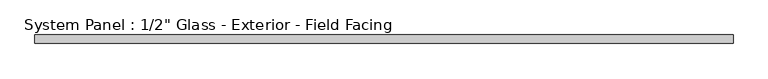
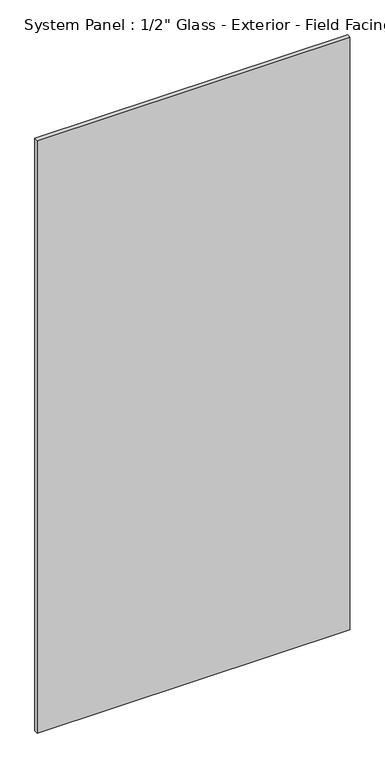
"""IFC4 building model written with IfcOpenShell, lengths in millimetres: plate geometry."""

import ifcopenshell
import ifcopenshell.guid

model = None  # the IFC model being written
_history = None  # IfcOwnerHistory: only IFC2X3 demands one
_inside = {}  # id of a spatial element -> (the spatial element, [elements in it])
_under = {}  # id of a project, library or spatial element -> (it, [spatial elements below it])
_declared = {}  # id of a project -> (the project, [libraries it declares])
_typed = {}  # id of a type object -> (the type object, [elements of that type])
_made_of = {}  # id of a material, layer set ... -> (it, [elements and type objects made of it])


def new_model(schema):
    """Start an empty IFC model of exactly this schema.

    Asked for "IFC4X3", IfcOpenShell would pick the latest addendum, in which some entities
    have other attributes; the version numbers below select the first issue.
    IFC2X3 requires an IfcOwnerHistory on every rooted entity: one is made here for all.
    """
    global model, _history
    if schema == "IFC4X3":
        model = ifcopenshell.file(schema_version=(4, 3, 0, 0))
    else:
        model = ifcopenshell.file(schema=schema)
    _inside.clear()
    _under.clear()
    _declared.clear()
    _typed.clear()
    _made_of.clear()
    _history = None
    if model.schema == "IFC2X3":
        org = make("IfcOrganization", Name="unknown")
        user = make(
            "IfcPersonAndOrganization",
            ThePerson=make("IfcPerson", FamilyName="unknown"),
            TheOrganization=org,
        )
        app = make(
            "IfcApplication",
            ApplicationDeveloper=org,
            Version="unknown",
            ApplicationFullName="unknown",
            ApplicationIdentifier="unknown",
        )
        _history = make(
            "IfcOwnerHistory",
            OwningUser=user,
            OwningApplication=app,
            ChangeAction="ADDED",
            CreationDate=0,
        )
    return model


def make(cls, **values):
    """One entity of the class cls with the attributes given. An attribute that is None is left unset."""
    return model.create_entity(
        cls, **{name: value for name, value in values.items() if value is not None}
    )


def rooted(cls, **values):
    """An entity with a GlobalId (a new one), such as an element, a storey or a relation."""
    return make(cls, GlobalId=ifcopenshell.guid.new(), OwnerHistory=_history, **values)


def si_unit(unit_type, name, prefix=None):
    """IfcSIUnit, for example si_unit("LENGTHUNIT", "METRE", prefix="MILLI")."""
    return make("IfcSIUnit", UnitType=unit_type, Prefix=prefix, Name=name)


def assignment(units):
    """IfcUnitAssignment: the units of a project."""
    return None if units is None else make("IfcUnitAssignment", Units=units)


def point(xyz):
    """IfcCartesianPoint."""
    return None if xyz is None else make("IfcCartesianPoint", Coordinates=xyz)


def direction(xyz):
    """IfcDirection."""
    return None if xyz is None else make("IfcDirection", DirectionRatios=xyz)


def frame(location, z_axis=None, x_axis=None):
    """IfcAxis2Placement3D, a coordinate frame: its origin and axes. An axis left out is left unset."""
    return make(
        "IfcAxis2Placement3D",
        Location=point(location),
        Axis=direction(z_axis),
        RefDirection=direction(x_axis),
    )


def origin():
    """The frame at (0, 0, 0) with its axes left unset."""
    return frame((0.0, 0.0, 0.0))


def origin_with_axes():
    """The frame at (0, 0, 0) with the z axis (0, 0, 1) and the x axis (1, 0, 0) written out."""
    return frame((0.0, 0.0, 0.0), z_axis=(0.0, 0.0, 1.0), x_axis=(1.0, 0.0, 0.0))


def place(relative_to, where):
    """IfcLocalPlacement: puts the frame where relative to a parent placement (None: the world)."""
    return make(
        "IfcLocalPlacement", PlacementRelTo=relative_to, RelativePlacement=where
    )


def context(
    kind, dimensions, precision=None, world=None, true_north=None, identifier=None
):
    """IfcGeometricRepresentationContext, for example the 3D "Model" context."""
    return make(
        "IfcGeometricRepresentationContext",
        ContextIdentifier=identifier,
        ContextType=kind,
        CoordinateSpaceDimension=dimensions,
        Precision=precision,
        WorldCoordinateSystem=world,
        TrueNorth=true_north,
    )


def project(units=None, contexts=None):
    """IfcProject with its units and contexts."""
    return rooted(
        "IfcProject",
        Name="project",
        RepresentationContexts=contexts,
        UnitsInContext=assignment(units),
    )


def spatial(cls, under=None, at=None, **own):
    """A site, building, storey or space (cls), placed at a placement, below another one or the project."""
    s = rooted(cls, ObjectPlacement=at, **own)
    if under is not None:
        _under.setdefault(under.id(), (under, []))[1].append(s)
    return s


def polyline(points):
    """IfcPolyline through the points."""
    return make("IfcPolyline", Points=[point(p) for p in points])


def outline(outer, holes=None, kind="AREA"):
    """IfcArbitraryClosedProfileDef: a profile drawn as a closed curve; with holes, ...WithVoids."""
    if holes is None:
        return make("IfcArbitraryClosedProfileDef", ProfileType=kind, OuterCurve=outer)
    return make(
        "IfcArbitraryProfileDefWithVoids",
        ProfileType=kind,
        OuterCurve=outer,
        InnerCurves=holes,
    )


def extrude(swept, where, along, depth):
    """IfcExtrudedAreaSolid: the profile swept, set in the frame where, extruded along a direction by depth."""
    return make(
        "IfcExtrudedAreaSolid",
        SweptArea=swept,
        Position=where,
        ExtrudedDirection=direction(along),
        Depth=depth,
    )


def shape(context_of_items, identifier, shape_type, items):
    """IfcShapeRepresentation: the items that make up one representation, for example the "Body"."""
    return make(
        "IfcShapeRepresentation",
        ContextOfItems=context_of_items,
        RepresentationIdentifier=identifier,
        RepresentationType=shape_type,
        Items=items,
    )


def source(mapping_origin, context_of_items, identifier, shape_type, items):
    """IfcRepresentationMap: a shape defined once, which mapped items show again and again."""
    return make(
        "IfcRepresentationMap",
        MappingOrigin=mapping_origin,
        MappedRepresentation=shape(context_of_items, identifier, shape_type, items),
    )


def transform(
    local_origin,
    x_axis=None,
    y_axis=None,
    z_axis=None,
    scale=None,
    scale2=None,
    scale3=None,
    uniform=True,
):
    """IfcCartesianTransformationOperator3D, or its non-uniform kind. x_axis, y_axis, z_axis: its Axis1, 2, 3."""
    if uniform:
        return make(
            "IfcCartesianTransformationOperator3D",
            Axis1=direction(x_axis),
            Axis2=direction(y_axis),
            LocalOrigin=point(local_origin),
            Scale=scale,
            Axis3=direction(z_axis),
        )
    return make(
        "IfcCartesianTransformationOperator3DnonUniform",
        Axis1=direction(x_axis),
        Axis2=direction(y_axis),
        LocalOrigin=point(local_origin),
        Scale=scale,
        Axis3=direction(z_axis),
        Scale2=scale2,
        Scale3=scale3,
    )


def mapped(mapping_source, mapping_target):
    """IfcMappedItem: shows the shape of a source again, moved by a transform."""
    return make(
        "IfcMappedItem", MappingSource=mapping_source, MappingTarget=mapping_target
    )


def made_of(thing, what):
    """Note that an element or type object is made of a material, layer set ...; save() writes the relation."""
    if what is not None:
        _made_of.setdefault(what.id(), (what, []))[1].append(thing)
    return thing


def element(
    cls,
    number,
    at=None,
    inside=None,
    cuts=None,
    type_object=None,
    material=None,
    context=None,
    identifier="Body",
    shape_type=None,
    held_by="IfcProductDefinitionShape",
    body=None,
    shapes=None,
    **own,
):
    """One element of the class cls, such as IfcWall. Its Tag is "e" and its number.

    at: its placement. inside: the storey or other place that contains it. cuts: it is an
    opening in that element (IfcRelVoidsElement). A single representation is given by context,
    identifier, shape_type and body (its items); several are given by shapes. held_by: the class
    of the entity that holds the representations. save() writes the other relations.
    """
    e = rooted(cls, Tag="e%d" % number, ObjectPlacement=at, **own)
    if body is not None:
        shapes = [shape(context, identifier, shape_type, body)]
    if shapes is not None:
        e.Representation = make(held_by, Representations=shapes)
    if inside is not None:
        _inside.setdefault(inside.id(), (inside, []))[1].append(e)
    if cuts is not None:
        rooted(
            "IfcRelVoidsElement", RelatingBuildingElement=cuts, RelatedOpeningElement=e
        )
    if type_object is not None:
        _typed.setdefault(type_object.id(), (type_object, []))[1].append(e)
    return made_of(e, material)


def aggregate(whole, parts):
    """IfcRelAggregates: a whole, such as a stair, and the parts it consists of."""
    return rooted("IfcRelAggregates", RelatingObject=whole, RelatedObjects=parts)


def save(model, path):
    """Write the relations noted so far, then the file.

    IfcRelAggregates (storeys below a building ...), IfcRelContainedInSpatialStructure (elements
    in a storey), IfcRelDefinesByType, IfcRelAssociatesMaterial and IfcRelDeclares: one each for
    every whole, place, type object, material and project.
    """
    for whole, parts in _under.values():
        aggregate(whole, parts)
    for where, things in _inside.values():
        rooted(
            "IfcRelContainedInSpatialStructure",
            RelatedElements=things,
            RelatingStructure=where,
        )
    for kind, things in _typed.values():
        rooted("IfcRelDefinesByType", RelatedObjects=things, RelatingType=kind)
    for what, things in _made_of.values():
        rooted("IfcRelAssociatesMaterial", RelatedObjects=things, RelatingMaterial=what)
    for by, libraries in _declared.values():
        rooted("IfcRelDeclares", RelatingContext=by, RelatedDefinitions=libraries)
    model.write(path)


def plate_8cff90b3(model_context):
    return source(origin(), model_context, "Body", "SweptSolid", [
        extrude(outline(polyline([(554.7996338, -11.55), (-554.7996338, -11.55), (-554.7996338, 1.95), (554.7996338, 1.95), (554.7996338, -11.55)])), origin_with_axes(), (0.0, 0.0, 1.0), 2223.15),
    ])


if __name__ == "__main__":
    model = new_model("IFC4")
    model_context = context("Model", 3, world=origin())
    ifc_project = project(units=[si_unit("LENGTHUNIT", "METRE", prefix="MILLI")], contexts=[model_context])
    site = spatial("IfcSite", under=ifc_project)
    building = spatial("IfcBuilding", under=site)
    placement = place(None, origin())
    plate_shape = plate_8cff90b3(model_context)
    element("IfcPlate", 1, ObjectType="System Panel : 1/2\" Glass - Exterior - Field Facing", at=placement, inside=building, context=model_context, shape_type="MappedRepresentation", body=[
        mapped(plate_shape, transform((0.0, 0.0, 0.0), x_axis=(1.0, 0.0, 0.0), y_axis=(0.0, 1.0, 0.0), z_axis=(0.0, 0.0, 1.0))),
    ])
    save(model, "model.ifc")
